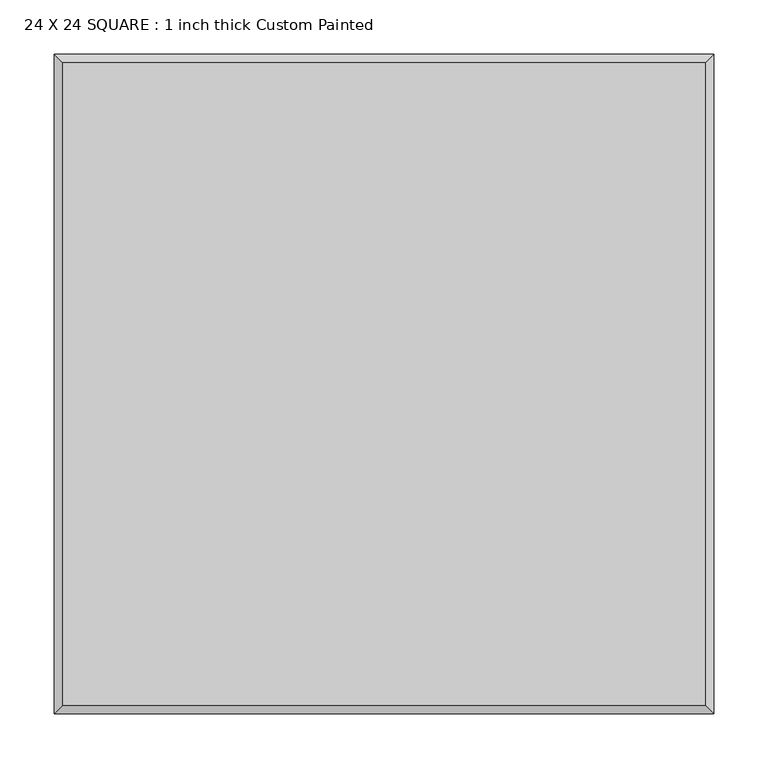
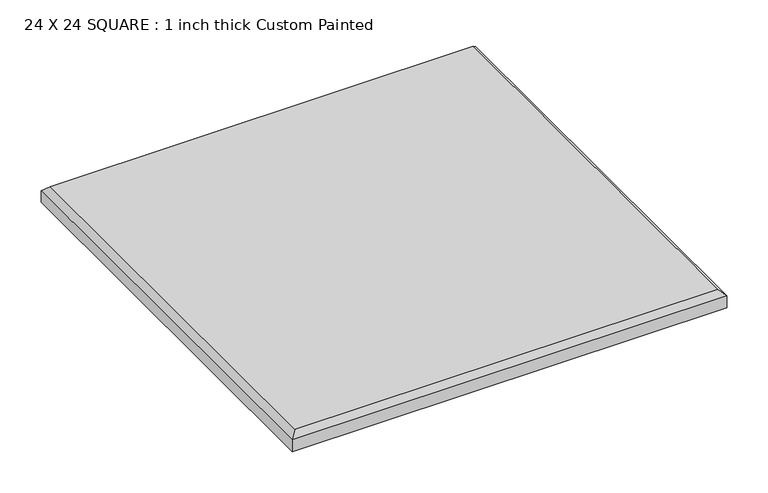
"""IFC4 building model written with IfcOpenShell, lengths in millimetres: proxy geometry, 24 X 24 SQUARE : 1 inch thick Custom Painted."""

from ifc_helpers import new_model, si_unit, origin, place, context, project, spatial, faceted_brep, source, transform, mapped, element, save


def proxy_24_x_24_square_1_inch_thick_custom_painted_91d36786(model_context):
    return source(origin(), model_context, "Body", "Brep", [
        faceted_brep([(296.799, 296.799, 25.4), (-296.799, 296.799, 25.4), (-296.799, -296.799, 25.4), (296.799, -296.799, 25.4), (-304.8, 304.8, 0.0), (304.8, 304.8, 0.0), (304.8, -304.8, 0.0), (-304.8, -304.8, 0.0), (-304.8, -304.8, 17.399), (-304.8, 304.8, 17.399), (304.8, -304.8, 17.399), (304.8, 304.8, 17.399)], [[[0, 1, 2, 3]], [[4, 5, 6, 7]], [[4, 7, 8, 9]], [[7, 6, 10, 8]], [[6, 5, 11, 10]], [[5, 4, 9, 11]], [[9, 1, 0, 11]], [[1, 9, 8, 2]], [[2, 8, 10, 3]], [[11, 0, 3, 10]]]),
    ])


if __name__ == "__main__":
    model = new_model("IFC4")
    model_context = context("Model", 3, world=origin())
    ifc_project = project(units=[si_unit("LENGTHUNIT", "METRE", prefix="MILLI")], contexts=[model_context])
    site = spatial("IfcSite", under=ifc_project)
    building = spatial("IfcBuilding", under=site)
    placement = place(None, origin())
    proxy_24_x_24_square_1_inch_thick_custom_painted_shape = proxy_24_x_24_square_1_inch_thick_custom_painted_91d36786(model_context)
    element("IfcBuildingElementProxy", 1, Name="24 X 24 SQUARE : 1 inch thick Custom Painted", ObjectType="24 X 24 SQUARE : 1 inch thick Custom Painted", at=placement, inside=building, context=model_context, shape_type="MappedRepresentation", body=[
        mapped(proxy_24_x_24_square_1_inch_thick_custom_painted_shape, transform((0.0, 0.0, 0.0), x_axis=(1.0, 0.0, 0.0), y_axis=(0.0, 1.0, 0.0), z_axis=(0.0, 0.0, 1.0))),
    ])
    save(model, "model.ifc")
